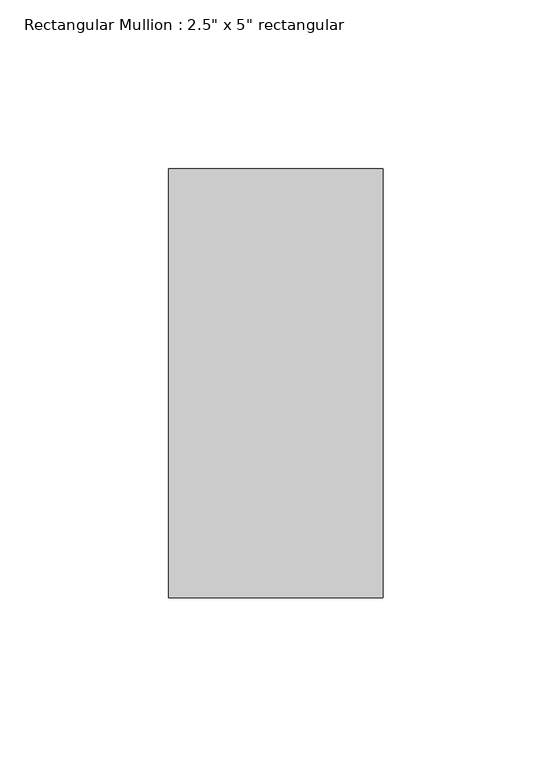
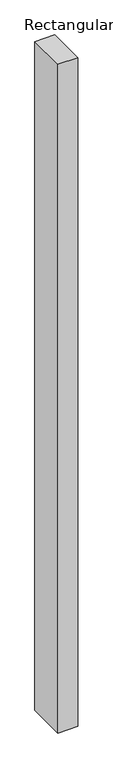
"""IFC4 building model written with IfcOpenShell, lengths in millimetres: member geometry."""

from ifc_helpers import new_model, si_unit, frame, origin, place, context, project, spatial, polyline, outline, extrude, source, transform, mapped, element, save


def member_28a4af6f(model_context):
    return source(origin(), model_context, "Body", "SweptSolid", [
        extrude(outline(polyline([(31.75, 63.5), (31.75, -63.5), (-31.75, -63.5), (-31.75, 63.5), (31.75, 63.5)])), frame((0.0, 0.0, -2251.7825779), z_axis=(0.0, 0.0, 1.0), x_axis=(1.0, 0.0, 0.0)), (0.0, 0.0, 1.0), 2251.7825779),
    ])


if __name__ == "__main__":
    model = new_model("IFC4")
    model_context = context("Model", 3, world=origin())
    ifc_project = project(units=[si_unit("LENGTHUNIT", "METRE", prefix="MILLI")], contexts=[model_context])
    site = spatial("IfcSite", under=ifc_project)
    building = spatial("IfcBuilding", under=site)
    placement = place(None, origin())
    member_shape = member_28a4af6f(model_context)
    element("IfcMember", 1, ObjectType="Rectangular Mullion : 2.5\" x 5\" rectangular", at=placement, inside=building, context=model_context, shape_type="MappedRepresentation", body=[
        mapped(member_shape, transform((0.0, 0.0, 0.0), x_axis=(1.0, 0.0, 0.0), y_axis=(0.0, 1.0, 0.0), z_axis=(0.0, 0.0, 1.0))),
    ])
    save(model, "model.ifc")
